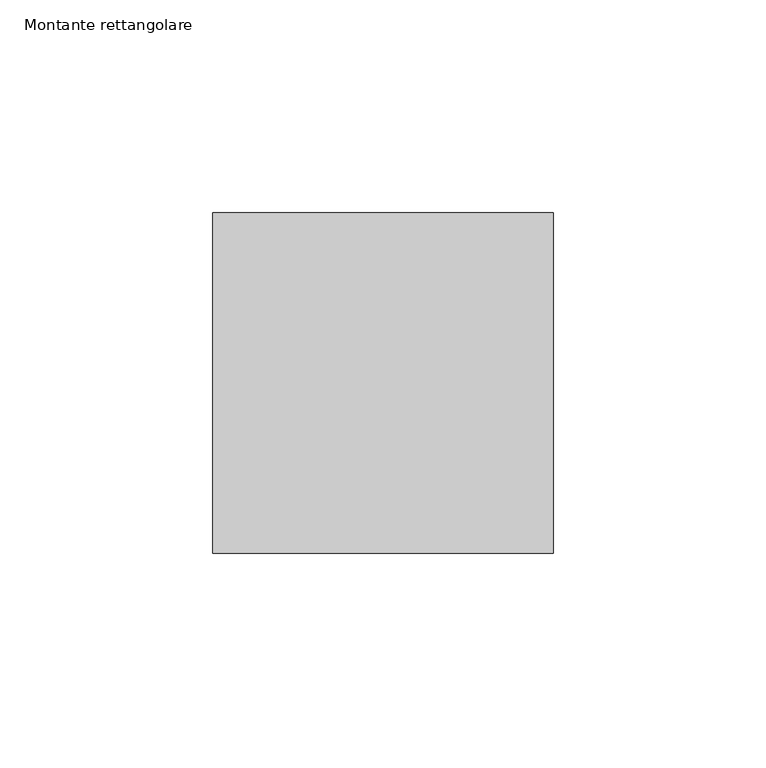
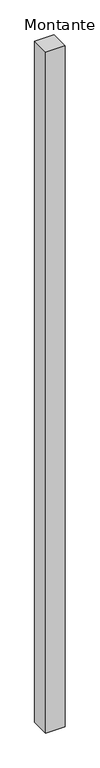
"""IFC4 building model written with IfcOpenShell, lengths in millimetres: member geometry, Montante rettangolare."""

from ifc_helpers import new_model, si_unit, frame, origin, place, context, project, spatial, polyline, outline, extrude, source, transform, mapped, element, save


def montante_rettangolare_2e6b48d0(model_context):
    return source(origin(), model_context, "Body", "SweptSolid", [
        extrude(outline(polyline([(0.0, 40.0), (0.0, -40.0), (-80.0, -40.0), (-80.0, 40.0), (0.0, 40.0)])), frame((0.0, 0.0, -2999.4423852), z_axis=(0.0, 0.0, 1.0), x_axis=(1.0, 0.0, 0.0)), (0.0, 0.0, 1.0), 2999.4423852),
    ])


if __name__ == "__main__":
    model = new_model("IFC4")
    model_context = context("Model", 3, world=origin())
    ifc_project = project(units=[si_unit("LENGTHUNIT", "METRE", prefix="MILLI")], contexts=[model_context])
    site = spatial("IfcSite", under=ifc_project)
    building = spatial("IfcBuilding", under=site)
    placement = place(None, origin())
    montante_rettangolare_shape = montante_rettangolare_2e6b48d0(model_context)
    element("IfcMember", 1, ObjectType="Montante rettangolare", at=placement, inside=building, context=model_context, shape_type="MappedRepresentation", body=[
        mapped(montante_rettangolare_shape, transform((0.0, 0.0, 0.0), x_axis=(1.0, 0.0, 0.0), y_axis=(0.0, 1.0, 0.0), z_axis=(0.0, 0.0, 1.0))),
    ])
    save(model, "model.ifc")
